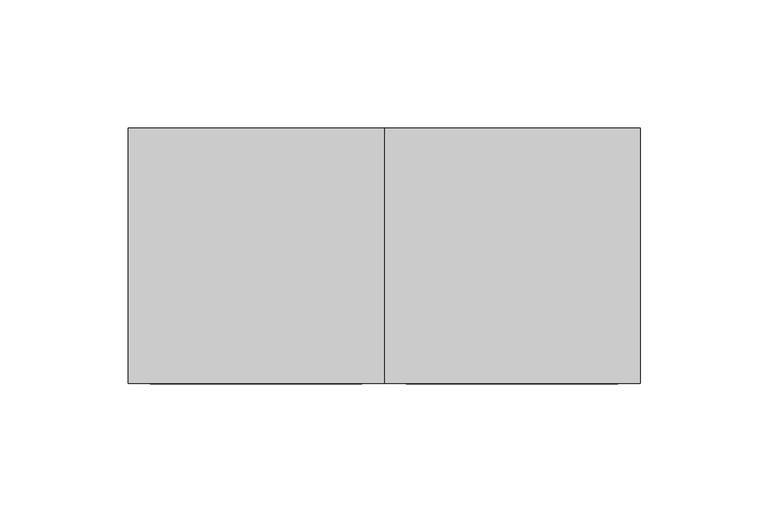
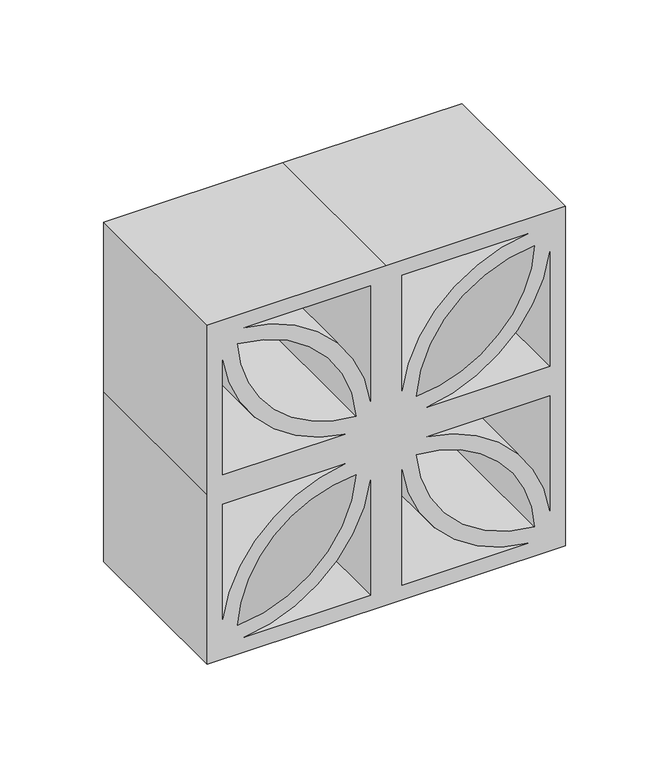
"""IFC4 building model written with IfcOpenShell, lengths in millimetres: plate geometry."""

from ifc_helpers import new_model, si_unit, point, frame, frame_2d, origin, place, context, project, spatial, polyline, circle_curve, trimmed, segment, composite_curve, outline, extrude, source, transform, mapped, element, save


def plate_4a7527bb(model_context):
    return source(origin(), model_context, "Body", "SweptSolid", [
        extrude(outline(polyline([(200.0, 0.0), (200.0, -100.0), (100.0, -100.0), (0.0, -100.0), (0.0, 0.0), (0.0, 100.0), (100.0, 100.0), (200.0, 100.0), (200.0, 0.0)]), holes=[composite_curve([segment(trimmed(circle_curve(frame_2d((112.3689748, -87.3545557)), 70.6848208), [point((182.9076453, -82.811444))], [point((117.2645441, -16.8394701))], True, "CARTESIAN"), True, "CONTINUOUS"), segment(trimmed(circle_curve(frame_2d((186.4653646, -13.6275391)), 69.2753208), [point((117.2645441, -16.8394701))], [point((182.9076453, -82.811444))], True, "CARTESIAN"), True, "CONTINUOUS")], self_intersect=False), composite_curve([segment(polyline([(191.3043478, -79.1957809), (191.3043478, -8.6956522), (123.3338134, -8.6956522)]), True, "CONTINUOUS"), segment(trimmed(circle_curve(frame_2d((112.2686242, -87.3797308)), 79.4583076), [point((123.3338134, -8.6956522))], [point((191.3043478, -79.1957809))], False, "CARTESIAN"), True, "CONTINUOUS")], self_intersect=False), composite_curve([segment(polyline([(108.6956522, -22.8607229), (108.6956522, -91.3043478), (176.3291915, -91.3043478)]), True, "CONTINUOUS"), segment(trimmed(circle_curve(frame_2d((187.6779314, -12.4515961)), 79.6652393), [point((176.3291915, -91.3043478))], [point((108.6956522, -22.8607229))], False, "CARTESIAN"), True, "CONTINUOUS")], self_intersect=False), composite_curve([segment(trimmed(circle_curve(frame_2d((112.2686242, 87.3797308)), 79.4583076), [point((191.3043478, 79.1957809))], [point((123.3338134, 8.6956522))], False, "CARTESIAN"), True, "CONTINUOUS"), segment(polyline([(123.3338134, 8.6956522), (191.3043478, 8.6956522), (191.3043478, 79.1957809)]), True, "CONTINUOUS")], self_intersect=False), composite_curve([segment(trimmed(circle_curve(frame_2d((112.3689748, 87.3545557)), 70.6848208), [point((117.2645441, 16.8394701))], [point((182.9076453, 82.811444))], True, "CARTESIAN"), True, "CONTINUOUS"), segment(trimmed(circle_curve(frame_2d((186.4653646, 13.6275391)), 69.2753208), [point((182.9076453, 82.811444))], [point((117.2645441, 16.8394701))], True, "CARTESIAN"), True, "CONTINUOUS")], self_intersect=False), composite_curve([segment(trimmed(circle_curve(frame_2d((187.6779314, 12.4515961)), 79.6652393), [point((108.6956522, 22.8607229))], [point((176.3291915, 91.3043478))], False, "CARTESIAN"), True, "CONTINUOUS"), segment(polyline([(176.3291915, 91.3043478), (108.6956522, 91.3043478), (108.6956522, 22.8607229)]), True, "CONTINUOUS")], self_intersect=False), composite_curve([segment(polyline([(91.3043478, 91.3043478), (23.6708085, 91.3043478)]), True, "CONTINUOUS"), segment(trimmed(circle_curve(frame_2d((12.3220686, 12.4515961)), 79.6652393), [point((23.6708085, 91.3043478))], [point((91.3043478, 22.8607229))], False, "CARTESIAN"), True, "CONTINUOUS"), segment(polyline([(91.3043478, 22.8607229), (91.3043478, 91.3043478)]), True, "CONTINUOUS")], self_intersect=False), composite_curve([segment(trimmed(circle_curve(frame_2d((13.5346354, 13.6275391)), 69.2753208), [point((82.7354559, 16.8394701))], [point((17.0923547, 82.811444))], True, "CARTESIAN"), True, "CONTINUOUS"), segment(trimmed(circle_curve(frame_2d((87.6310252, 87.3545557)), 70.6848208), [point((17.0923547, 82.811444))], [point((82.7354559, 16.8394701))], True, "CARTESIAN"), True, "CONTINUOUS")], self_intersect=False), composite_curve([segment(polyline([(8.6956522, 79.1957809), (8.6956522, 8.6956522), (76.6661866, 8.6956522)]), True, "CONTINUOUS"), segment(trimmed(circle_curve(frame_2d((87.7313758, 87.3797308)), 79.4583076), [point((76.6661866, 8.6956522))], [point((8.6956522, 79.1957809))], False, "CARTESIAN"), True, "CONTINUOUS")], self_intersect=False), composite_curve([segment(polyline([(8.6956522, -8.6956522), (8.6956522, -79.1957809)]), True, "CONTINUOUS"), segment(trimmed(circle_curve(frame_2d((87.7313758, -87.3797308)), 79.4583076), [point((8.6956522, -79.1957809))], [point((76.6661866, -8.6956522))], False, "CARTESIAN"), True, "CONTINUOUS"), segment(polyline([(76.6661866, -8.6956522), (8.6956522, -8.6956522)]), True, "CONTINUOUS")], self_intersect=False), composite_curve([segment(trimmed(circle_curve(frame_2d((13.5346354, -13.6275391)), 69.2753208), [point((17.0923547, -82.811444))], [point((82.7354559, -16.8394701))], True, "CARTESIAN"), True, "CONTINUOUS"), segment(trimmed(circle_curve(frame_2d((87.6310252, -87.3545557)), 70.6848208), [point((82.7354559, -16.8394701))], [point((17.0923547, -82.811444))], True, "CARTESIAN"), True, "CONTINUOUS")], self_intersect=False), composite_curve([segment(trimmed(circle_curve(frame_2d((12.3220686, -12.4515961)), 79.6652393), [point((91.3043478, -22.8607229))], [point((23.6708085, -91.3043478))], False, "CARTESIAN"), True, "CONTINUOUS"), segment(polyline([(23.6708085, -91.3043478), (91.3043478, -91.3043478), (91.3043478, -22.8607229)]), True, "CONTINUOUS")], self_intersect=False)]), frame((0.0, -100.0, 0.0), z_axis=(0.0, 1.0, 0.0), x_axis=(0.0, 0.0, 1.0)), (0.0, 0.0, 1.0), 100.0),
    ])


if __name__ == "__main__":
    model = new_model("IFC4")
    model_context = context("Model", 3, world=origin())
    ifc_project = project(units=[si_unit("LENGTHUNIT", "METRE", prefix="MILLI")], contexts=[model_context])
    site = spatial("IfcSite", under=ifc_project)
    building = spatial("IfcBuilding", under=site)
    placement = place(None, origin())
    plate_shape = plate_4a7527bb(model_context)
    element("IfcPlate", 1, at=placement, inside=building, context=model_context, shape_type="MappedRepresentation", body=[
        mapped(plate_shape, transform((0.0, 0.0, 0.0), x_axis=(1.0, 0.0, 0.0), y_axis=(0.0, 1.0, 0.0), z_axis=(0.0, 0.0, 1.0))),
    ])
    save(model, "model.ifc")
